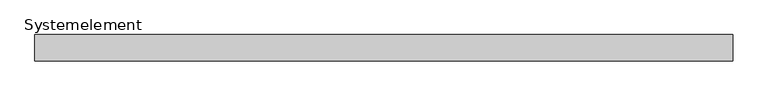
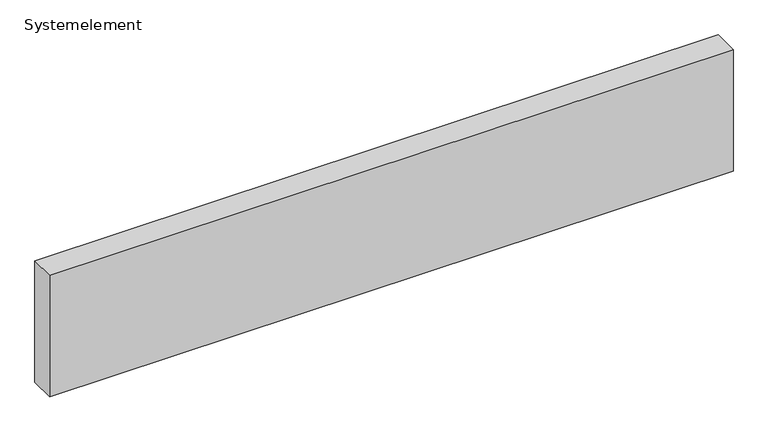
"""IFC4 building model written with IfcOpenShell, lengths in millimetres: plate geometry, Systemelement."""

from ifc_helpers import new_model, si_unit, origin, origin_with_axes, place, context, project, spatial, polyline, outline, extrude, source, transform, mapped, element, save


def systemelement_e8afe3e1(model_context):
    return source(origin(), model_context, "Body", "SweptSolid", [
        extrude(outline(polyline([(2000.0, -150.0), (-2000.0, -150.0), (-2000.0, 0.0), (2000.0, 0.0), (2000.0, -150.0)])), origin_with_axes(), (0.0, 0.0, 1.0), 751.6147161),
    ])


if __name__ == "__main__":
    model = new_model("IFC4")
    model_context = context("Model", 3, world=origin())
    ifc_project = project(units=[si_unit("LENGTHUNIT", "METRE", prefix="MILLI")], contexts=[model_context])
    site = spatial("IfcSite", under=ifc_project)
    building = spatial("IfcBuilding", under=site)
    placement = place(None, origin())
    systemelement_shape = systemelement_e8afe3e1(model_context)
    element("IfcPlate", 1, ObjectType="Systemelement", at=placement, inside=building, context=model_context, shape_type="MappedRepresentation", body=[
        mapped(systemelement_shape, transform((0.0, 0.0, 0.0), x_axis=(1.0, 0.0, 0.0), y_axis=(0.0, 1.0, 0.0), z_axis=(0.0, 0.0, 1.0))),
    ])
    save(model, "model.ifc")
